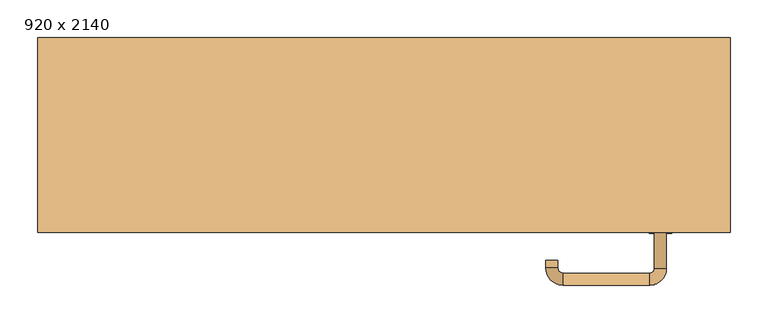
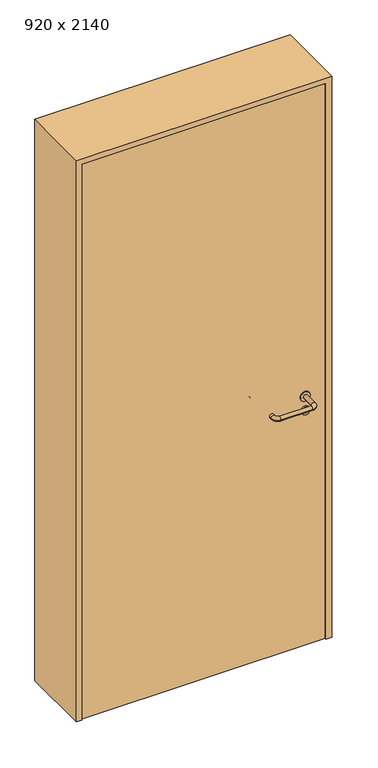
"""IFC4 building model written with IfcOpenShell, lengths in millimetres: door geometry, 920 x 2140."""

from ifc_helpers import new_model, si_unit, point, frame, frame_2d, origin, origin_with_axes, place, context, project, spatial, polyline, circle_curve, ellipse_curve, trimmed, segment, composite_curve, outline, extrude, source, transform, mapped, element, save
from ifc_brep_helpers import plane_surface, cylinder_surface, revolved_surface, advanced_brep


def door_920_x_2140_dacedda5(model_context):
    return source(origin(), model_context, "Body", "SolidModel", [
        extrude(outline(composite_curve([segment(trimmed(circle_curve(frame_2d((897.3605726, 367.0)), 15.0), [point((897.3605726, 382.0))], [point((897.3605726, 352.0))], False, "CARTESIAN"), True, "CONTINUOUS"), segment(trimmed(circle_curve(frame_2d((897.3605726, 367.0)), 15.0), [point((897.3605726, 352.0))], [point((897.3605726, 382.0))], False, "CARTESIAN"), True, "CONTINUOUS")], self_intersect=False), holes=[composite_curve([segment(trimmed(circle_curve(frame_2d((892.5833211, 366.9398032)), 2.0), [point((892.5833211, 368.9398032))], [point((892.5833211, 364.9398032))], True, "CARTESIAN"), True, "CONTINUOUS"), segment(polyline([(892.5833211, 364.9398032), (902.5833211, 364.9398032)]), True, "CONTINUOUS"), segment(trimmed(circle_curve(frame_2d((902.5833211, 366.9398032)), 2.0), [point((902.5833211, 364.9398032))], [point((902.5833211, 368.9398032))], True, "CARTESIAN"), True, "CONTINUOUS"), segment(polyline([(902.5833211, 368.9398032), (892.5833211, 368.9398032)]), True, "CONTINUOUS")], self_intersect=False)]), frame((0.0, -95.0, 0.0), z_axis=(0.0, 1.0, 0.0), x_axis=(0.0, 0.0, 1.0)), (0.0, 0.0, 1.0), 6.35),
        extrude(outline(composite_curve([segment(trimmed(circle_curve(frame_2d((950.0, 367.0)), 17.526), [point((950.0, 384.526))], [point((950.0, 349.474))], False, "CARTESIAN"), True, "CONTINUOUS"), segment(trimmed(circle_curve(frame_2d((950.0, 367.0)), 17.526), [point((950.0, 349.474))], [point((950.0, 384.526))], False, "CARTESIAN"), True, "CONTINUOUS")], self_intersect=False)), frame((0.0, -95.0, 0.0), z_axis=(0.0, 1.0, 0.0), x_axis=(0.0, 0.0, 1.0)), (0.0, 0.0, 1.0), 3.175),
        advanced_brep(
        [(375.0, -95.0, 950.0), (359.0, -95.0, 950.0), (375.0, -42.0, 950.0), (359.0, -42.0, 950.0), (352.8578644, -35.8578644, 950.0), (352.8578644, -19.8578644, 950.0), (237.8578644, -19.8578644, 950.0), (237.8578644, -35.8578644, 950.0), (231.008622, -42.7071068, 950.0), (215.008622, -42.7071068, 950.0), (215.008622, -52.7071068, 950.0), (231.008622, -52.7071068, 950.0)],
        [
            (0, 1, circle_curve(frame((367.0, -95.0, 950.0), z_axis=(0.0, -1.0, 0.0), x_axis=(-1.0, 0.0, 0.0)), 8.0)),
            (1, 0, circle_curve(frame((367.0, -95.0, 950.0), z_axis=(0.0, -1.0, 0.0), x_axis=(-1.0, 0.0, 0.0)), 8.0)),
            (0, 2),
            (2, 3, circle_curve(frame((367.0, -42.0, 950.0), z_axis=(0.0, -1.0, 0.0), x_axis=(-1.0, 0.0, 0.0)), 8.0)),
            (3, 1),
            (3, 2, circle_curve(frame((367.0, -42.0, 950.0), z_axis=(0.0, -1.0, 0.0), x_axis=(-1.0, 0.0, 0.0)), 8.0)),
            (4, 3, circle_curve(frame((352.8578644, -42.0, 950.0), z_axis=(0.0, 0.0, -1.0), x_axis=(1.0, 0.0, 0.0)), 6.1421356)),
            (2, 5, circle_curve(frame((352.8578644, -42.0, 950.0), z_axis=(0.0, 0.0, 1.0), x_axis=(1.0, 0.0, 0.0)), 22.1421356)),
            (5, 4, circle_curve(frame((352.8578644, -27.8578644, 950.0), z_axis=(1.0, 0.0, 0.0), x_axis=(0.0, -1.0, 0.0)), 8.0)),
            (4, 5, circle_curve(frame((352.8578644, -27.8578644, 950.0), z_axis=(1.0, 0.0, 0.0), x_axis=(0.0, -1.0, 0.0)), 8.0)),
            (5, 6),
            (6, 7, circle_curve(frame((237.8578644, -27.8578644, 950.0), z_axis=(1.0, 0.0, 0.0), x_axis=(0.0, -1.0, 0.0)), 8.0)),
            (7, 4),
            (7, 6, circle_curve(frame((237.8578644, -27.8578644, 950.0), z_axis=(1.0, 0.0, 0.0), x_axis=(0.0, -1.0, 0.0)), 8.0)),
            (8, 7, circle_curve(frame((237.8578644, -42.7071068, 950.0), z_axis=(0.0, 0.0, -1.0), x_axis=(0.0, 1.0, 0.0)), 6.8492424)),
            (6, 9, circle_curve(frame((237.8578644, -42.7071068, 950.0), z_axis=(0.0, 0.0, 1.0), x_axis=(0.0, 1.0, 0.0)), 22.8492424)),
            (9, 8, circle_curve(frame((223.008622, -42.7071068, 950.0), z_axis=(0.0, 1.0, 0.0), x_axis=(1.0, 0.0, 0.0)), 8.0)),
            (8, 9, circle_curve(frame((223.008622, -42.7071068, 950.0), z_axis=(0.0, 1.0, 0.0), x_axis=(1.0, 0.0, 0.0)), 8.0)),
            (10, 11, circle_curve(frame((223.008622, -52.7071068, 950.0), z_axis=(0.0, -1.0, 0.0), x_axis=(1.0, 0.0, 0.0)), 8.0)),
            (11, 10, circle_curve(frame((223.008622, -52.7071068, 950.0), z_axis=(0.0, -1.0, 0.0), x_axis=(1.0, 0.0, 0.0)), 8.0)),
            (9, 10),
            (11, 8),
        ],
        [
            plane_surface(frame((367.0, -95.0, 0.0), z_axis=(0.0, -1.0, 0.0), x_axis=(0.0, 0.0, 1.0))),
            cylinder_surface(frame((367.0, -95.0, 950.0), z_axis=(0.0, -1.0, 0.0), x_axis=(-1.0, 0.0, 0.0)), 8.0),
            revolved_surface(trimmed(ellipse_curve(frame((367.0, -42.0, 950.0), z_axis=(0.0, -1.0, 0.0), x_axis=(-1.0, 0.0, 0.0)), 8.0, 8.0), [point((375.0, -42.0, 950.0))], [point((359.0, -42.0, 950.0))], True, "CARTESIAN"), (352.8578644, -42.0, 0.0), (0.0, 0.0, 1.0)),
            revolved_surface(trimmed(ellipse_curve(frame((367.0, -42.0, 950.0), z_axis=(0.0, -1.0, 0.0), x_axis=(-1.0, 0.0, 0.0)), 8.0, 8.0), [point((359.0, -42.0, 950.0))], [point((375.0, -42.0, 950.0))], True, "CARTESIAN"), (352.8578644, -42.0, 0.0), (0.0, 0.0, 1.0)),
            cylinder_surface(frame((352.8578644, -27.8578644, 950.0), z_axis=(1.0, 0.0, 0.0), x_axis=(0.0, -1.0, 0.0)), 8.0),
            revolved_surface(trimmed(ellipse_curve(frame((237.8578644, -27.8578644, 950.0), z_axis=(1.0, 0.0, 0.0), x_axis=(0.0, -1.0, 0.0)), 8.0, 8.0), [point((237.8578644, -19.8578644, 950.0))], [point((237.8578644, -35.8578644, 950.0))], True, "CARTESIAN"), (237.8578644, -42.7071068, 0.0), (0.0, 0.0, 1.0)),
            revolved_surface(trimmed(ellipse_curve(frame((237.8578644, -27.8578644, 950.0), z_axis=(1.0, 0.0, 0.0), x_axis=(0.0, -1.0, 0.0)), 8.0, 8.0), [point((237.8578644, -35.8578644, 950.0))], [point((237.8578644, -19.8578644, 950.0))], True, "CARTESIAN"), (237.8578644, -42.7071068, 0.0), (0.0, 0.0, 1.0)),
            plane_surface(frame((223.008622, -52.7071068, 0.0), z_axis=(0.0, -1.0, 0.0), x_axis=(0.0, 0.0, 1.0))),
            cylinder_surface(frame((223.008622, -42.7071068, 950.0), z_axis=(0.0, 1.0, 0.0), x_axis=(1.0, 0.0, 0.0)), 8.0),
        ],
        [
            (0, [[1, 2]]),
            (1, [[-1, 3, 4, 5]]),
            (1, [[-2, -5, 6, -3]]),
            (2, [[7, -4, 8, 9]]),
            (3, [[-8, -6, -7, 10]]),
            (4, [[-9, 11, 12, 13]]),
            (4, [[-10, -13, 14, -11]]),
            (5, [[15, -12, 16, 17]]),
            (6, [[-16, -14, -15, 18]]),
            (7, [[19, 20]]),
            (8, [[-17, 21, -20, 22]]),
            (8, [[-18, -22, -19, -21]]),
        ],
    ),
        extrude(outline(composite_curve([segment(trimmed(circle_curve(frame_2d((0.0, 15.0)), 15.0), [point((0.0, 30.0))], [point((0.0, 0.0))], False, "CARTESIAN"), True, "CONTINUOUS"), segment(trimmed(circle_curve(frame_2d((0.0, 15.0)), 15.0), [point((0.0, 0.0))], [point((0.0, 30.0))], False, "CARTESIAN"), True, "CONTINUOUS")], self_intersect=False), holes=[composite_curve([segment(trimmed(circle_curve(frame_2d((-4.7772515, 14.9398032)), 2.0), [point((-4.7772515, 16.9398032))], [point((-4.7772515, 12.9398032))], True, "CARTESIAN"), True, "CONTINUOUS"), segment(polyline([(-4.7772515, 12.9398032), (5.2227485, 12.9398032)]), True, "CONTINUOUS"), segment(trimmed(circle_curve(frame_2d((5.2227485, 14.9398032)), 2.0), [point((5.2227485, 12.9398032))], [point((5.2227485, 16.9398032))], True, "CARTESIAN"), True, "CONTINUOUS"), segment(polyline([(5.2227485, 16.9398032), (-4.7772515, 16.9398032)]), True, "CONTINUOUS")], self_intersect=False)]), frame((352.0, -131.35, 897.3605726), z_axis=(-1.8870575173328306e-12, 1.0, 0.0), x_axis=(0.0, 0.0, 1.0)), (0.0, 0.0, 1.0), 6.35),
        extrude(outline(composite_curve([segment(trimmed(circle_curve(frame_2d((0.0, 17.526)), 17.526), [point((0.0, 35.052))], [point((0.0, 0.0))], False, "CARTESIAN"), True, "CONTINUOUS"), segment(trimmed(circle_curve(frame_2d((0.0, 17.526)), 17.526), [point((0.0, 0.0))], [point((0.0, 35.052))], False, "CARTESIAN"), True, "CONTINUOUS")], self_intersect=False)), frame((349.474, -128.175, 950.0), z_axis=(-1.8870575173328306e-12, 1.0, 0.0), x_axis=(0.0, 0.0, 1.0)), (0.0, 0.0, 1.0), 3.175),
        advanced_brep(
        [(375.0, -125.0, 950.0), (359.0, -125.0, 950.0), (359.0, -178.0, 950.0), (375.0, -178.0, 950.0), (352.8578644, -184.1421356, 950.0), (352.8578644, -200.1421356, 950.0), (237.8578644, -184.1421356, 950.0), (237.8578644, -200.1421356, 950.0), (231.008622, -177.2928932, 950.0), (215.008622, -177.2928932, 950.0), (215.008622, -167.2928932, 950.0), (231.008622, -167.2928932, 950.0)],
        [
            (0, 1, circle_curve(frame((367.0, -125.0, 950.0), z_axis=(-1.888672253512351e-12, 1.0, 0.0), x_axis=(-1.0, -1.888672253512351e-12, 0.0)), 8.0)),
            (1, 0, circle_curve(frame((367.0, -125.0, 950.0), z_axis=(-1.888672253512351e-12, 1.0, 0.0), x_axis=(-1.0, -1.888672253512351e-12, 0.0)), 8.0)),
            (1, 2),
            (2, 3, circle_curve(frame((367.0, -178.0, 950.0), z_axis=(-1.888672253512351e-12, 1.0, 0.0), x_axis=(-1.0, -1.888672253512351e-12, 0.0)), 8.0)),
            (3, 0),
            (3, 2, circle_curve(frame((367.0, -178.0, 950.0), z_axis=(-1.888672253512351e-12, 1.0, 0.0), x_axis=(-1.0, -1.888672253512351e-12, 0.0)), 8.0)),
            (4, 5, circle_curve(frame((352.8578644, -192.1421356, 950.0), z_axis=(1.0, 1.913702061528922e-12, 0.0), x_axis=(-1.913702061528922e-12, 1.0, 0.0)), 8.0)),
            (5, 3, circle_curve(frame((352.8578644, -178.0, 950.0), z_axis=(0.0, 0.0, 1.0), x_axis=(1.0, 1.880717803715015e-12, 0.0)), 22.1421356)),
            (2, 4, circle_curve(frame((352.8578644, -178.0, 950.0), z_axis=(0.0, 0.0, -1.0), x_axis=(1.0, 1.880717803715015e-12, 0.0)), 6.1421356)),
            (5, 4, circle_curve(frame((352.8578644, -192.1421356, 950.0), z_axis=(1.0, 1.913702061528922e-12, 0.0), x_axis=(-1.913702061528922e-12, 1.0, 0.0)), 8.0)),
            (4, 6),
            (6, 7, circle_curve(frame((237.8578644, -192.1421356, 950.0), z_axis=(1.0, 1.913719828541269e-12, 0.0), x_axis=(-1.913719828541269e-12, 1.0, 0.0)), 8.0)),
            (7, 5),
            (7, 6, circle_curve(frame((237.8578644, -192.1421356, 950.0), z_axis=(1.0, 1.913719828541269e-12, 0.0), x_axis=(-1.913719828541269e-12, 1.0, 0.0)), 8.0)),
            (8, 9, circle_curve(frame((223.008622, -177.2928932, 950.0), z_axis=(1.8888942981172756e-12, -1.0, 0.0), x_axis=(1.0, 1.8888942981172756e-12, 0.0)), 8.0)),
            (9, 7, circle_curve(frame((237.8578644, -177.2928932, 950.0), z_axis=(0.0, 0.0, 1.0), x_axis=(1.9120873253494017e-12, -1.0, 0.0)), 22.8492424)),
            (6, 8, circle_curve(frame((237.8578644, -177.2928932, 950.0), z_axis=(0.0, 0.0, -1.0), x_axis=(1.9120873253494017e-12, -1.0, 0.0)), 6.8492424)),
            (9, 8, circle_curve(frame((223.008622, -177.2928932, 950.0), z_axis=(1.890448610351751e-12, -1.0, 0.0), x_axis=(1.0, 1.890448610351751e-12, 0.0)), 8.0)),
            (10, 11, circle_curve(frame((223.008622, -167.2928932, 950.0), z_axis=(-1.8903642334018795e-12, 1.0, 0.0), x_axis=(1.0, 1.8903642334018795e-12, 0.0)), 8.0)),
            (11, 10, circle_curve(frame((223.008622, -167.2928932, 950.0), z_axis=(-1.8903642334018795e-12, 1.0, 0.0), x_axis=(1.0, 1.8903642334018795e-12, 0.0)), 8.0)),
            (8, 11),
            (10, 9),
        ],
        [
            plane_surface(frame((367.0, -125.0, 0.0), z_axis=(-1.8870575173328306e-12, 1.0, 0.0), x_axis=(0.0, 0.0, 1.0))),
            cylinder_surface(frame((367.0, -125.0, 950.0), z_axis=(-1.888672253512351e-12, 1.0, 0.0), x_axis=(-1.0, -1.888672253512351e-12, 0.0)), 8.0),
            revolved_surface(trimmed(ellipse_curve(frame((367.0, -178.0, 950.0), z_axis=(1.8823325398945356e-12, -1.0, 0.0), x_axis=(-1.0, -1.8823325398945356e-12, 0.0)), 8.0, 8.0), [point((375.0, -178.0, 950.0))], [point((359.0, -178.0, 950.0))], True, "CARTESIAN"), (352.8578644, -178.0, 0.0), (0.0, 0.0, 1.0)),
            revolved_surface(trimmed(ellipse_curve(frame((367.0, -178.0, 950.0), z_axis=(1.8823325398945356e-12, -1.0, 0.0), x_axis=(-1.0, -1.8823325398945356e-12, 0.0)), 8.0, 8.0), [point((359.0, -178.0, 950.0))], [point((375.0, -178.0, 950.0))], True, "CARTESIAN"), (352.8578644, -178.0, 0.0), (0.0, 0.0, 1.0)),
            cylinder_surface(frame((352.8578644, -192.1421356, 950.0), z_axis=(1.0, 1.913719828541269e-12, 0.0), x_axis=(-1.913719828541269e-12, 1.0, 0.0)), 8.0),
            revolved_surface(trimmed(ellipse_curve(frame((237.8578644, -192.1421356, 950.0), z_axis=(-1.0, -1.913702061528922e-12, 0.0), x_axis=(-1.913702061528922e-12, 1.0, 0.0)), 8.0, 8.0), [point((237.8578644, -200.1421356, 950.0))], [point((237.8578644, -184.1421356, 950.0))], True, "CARTESIAN"), (237.8578644, -177.2928932, 0.0), (0.0, 0.0, 1.0)),
            revolved_surface(trimmed(ellipse_curve(frame((237.8578644, -192.1421356, 950.0), z_axis=(-1.0, -1.913702061528922e-12, 0.0), x_axis=(-1.913702061528922e-12, 1.0, 0.0)), 8.0, 8.0), [point((237.8578644, -184.1421356, 950.0))], [point((237.8578644, -200.1421356, 950.0))], True, "CARTESIAN"), (237.8578644, -177.2928932, 0.0), (0.0, 0.0, 1.0)),
            plane_surface(frame((223.008622, -167.2928932, 0.0), z_axis=(-1.8887494972223595e-12, 1.0, 0.0), x_axis=(0.0, 0.0, 1.0))),
            cylinder_surface(frame((223.008622, -177.2928932, 950.0), z_axis=(1.8903642334018795e-12, -1.0, 0.0), x_axis=(1.0, 1.8903642334018795e-12, 0.0)), 8.0),
        ],
        [
            (0, [[1, 2]]),
            (1, [[3, 4, 5, -2]]),
            (1, [[-5, 6, -3, -1]]),
            (2, [[7, 8, -4, 9]]),
            (3, [[10, -9, -6, -8]]),
            (4, [[11, 12, 13, -7]]),
            (4, [[-13, 14, -11, -10]]),
            (5, [[15, 16, -12, 17]]),
            (6, [[18, -17, -14, -16]]),
            (7, [[19, 20]]),
            (8, [[21, -19, 22, -15]]),
            (8, [[-22, -20, -21, -18]]),
        ],
    ),
        extrude(outline(polyline([(2120.0, 440.0), (0.0, 440.0), (0.0, 460.0), (2140.0, 460.0), (2140.0, -460.0), (0.0, -460.0), (0.0, -440.0), (2120.0, -440.0), (2120.0, 440.0)])), frame((0.0, -130.0, 0.0), z_axis=(0.0, 1.0, 0.0), x_axis=(0.0, 0.0, 1.0)), (0.0, 0.0, 1.0), 259.0),
        extrude(outline(polyline([(-440.0, -125.0), (-440.0, -95.0), (440.0, -95.0), (440.0, -125.0), (-440.0, -125.0)])), origin_with_axes(), (0.0, 0.0, 1.0), 2120.0),
    ])


if __name__ == "__main__":
    model = new_model("IFC4")
    model_context = context("Model", 3, world=origin())
    ifc_project = project(units=[si_unit("LENGTHUNIT", "METRE", prefix="MILLI")], contexts=[model_context])
    site = spatial("IfcSite", under=ifc_project)
    building = spatial("IfcBuilding", under=site)
    placement = place(None, origin())
    door_920_x_2140_shape = door_920_x_2140_dacedda5(model_context)
    element("IfcDoor", 1, ObjectType="920 x 2140", at=placement, inside=building, context=model_context, shape_type="MappedRepresentation", body=[
        mapped(door_920_x_2140_shape, transform((0.0, 0.0, 0.0), x_axis=(1.0, 0.0, 0.0), y_axis=(0.0, 1.0, 0.0), z_axis=(0.0, 0.0, 1.0))),
    ])
    save(model, "model.ifc")
